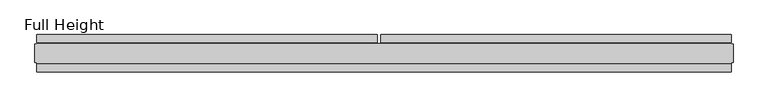
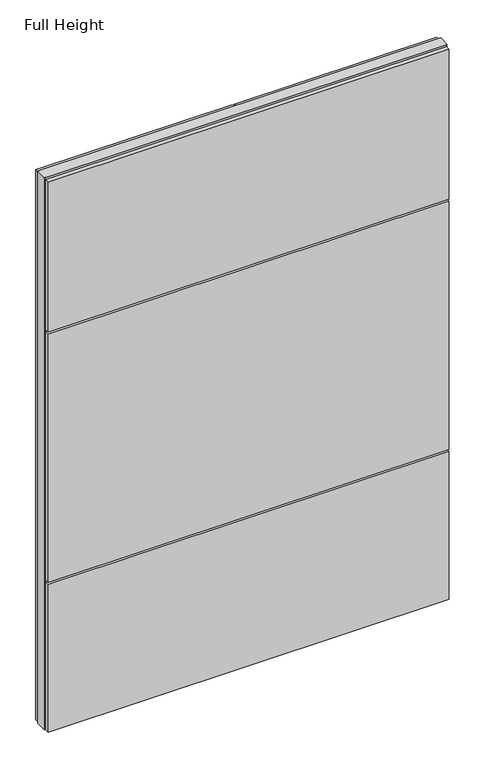
"""IFC4 building model written with IfcOpenShell, lengths in millimetres: plate geometry, Full Height."""

from ifc_helpers import new_model, si_unit, frame, origin, origin_with_axes, place, context, project, spatial, polyline, outline, extrude, source, transform, mapped, element, save


def full_height_0ee676f8(model_context):
    return source(origin(), model_context, "Body", "SweptSolid", [
        extrude(outline(polyline([(923.447038, 28.956), (-9.047038, 28.956), (-9.047038, 49.53), (923.447038, 49.53), (923.447038, 28.956)])), origin_with_axes(), (0.0, 0.0, 1.0), 2679.192),
        extrude(outline(polyline([(-923.447038, 49.53), (-18.191038, 49.53), (-18.191038, 28.956), (-923.447038, 28.956), (-923.447038, 49.53)])), origin_with_axes(), (0.0, 0.0, 1.0), 2679.192),
        extrude(outline(polyline([(923.447038, -28.956), (923.447038, -49.53), (-923.447038, -49.53), (-923.447038, -28.956), (923.447038, -28.956)])), frame((0.0, 0.0, 1949.196), z_axis=(0.0, 0.0, 1.0), x_axis=(1.0, 0.0, 0.0)), (0.0, 0.0, 1.0), 729.996),
        extrude(outline(polyline([(923.447038, -28.956), (923.447038, -49.53), (-923.447038, -49.53), (-923.447038, -28.956), (923.447038, -28.956)])), frame((0.0, 0.0, 729.996), z_axis=(0.0, 0.0, 1.0), x_axis=(1.0, 0.0, 0.0)), (0.0, 0.0, 1.0), 1210.056),
        extrude(outline(polyline([(923.447038, -28.956), (923.447038, -49.53), (-923.447038, -49.53), (-923.447038, -28.956), (923.447038, -28.956)])), origin_with_axes(), (0.0, 0.0, 1.0), 720.852),
        extrude(outline(polyline([(923.447038, -25.146), (923.447038, -26.67), (-923.447038, -26.67), (-923.447038, -25.146), (-928.019038, -25.146), (-928.019038, 25.146), (-923.447038, 25.146), (-923.447038, 26.67), (923.447038, 26.67), (923.447038, 25.146), (928.019038, 25.146), (928.019038, -25.146), (923.447038, -25.146)])), origin_with_axes(), (0.0, 0.0, 1.0), 2688.336),
    ])


if __name__ == "__main__":
    model = new_model("IFC4")
    model_context = context("Model", 3, world=origin())
    ifc_project = project(units=[si_unit("LENGTHUNIT", "METRE", prefix="MILLI")], contexts=[model_context])
    site = spatial("IfcSite", under=ifc_project)
    building = spatial("IfcBuilding", under=site)
    placement = place(None, origin())
    full_height_shape = full_height_0ee676f8(model_context)
    element("IfcPlate", 1, ObjectType="Full Height", at=placement, inside=building, context=model_context, shape_type="MappedRepresentation", body=[
        mapped(full_height_shape, transform((0.0, 0.0, 0.0), x_axis=(1.0, 0.0, 0.0), y_axis=(0.0, 1.0, 0.0), z_axis=(0.0, 0.0, 1.0))),
    ])
    save(model, "model.ifc")
